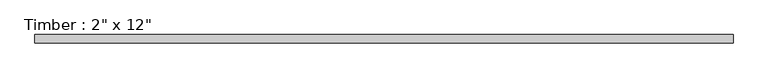
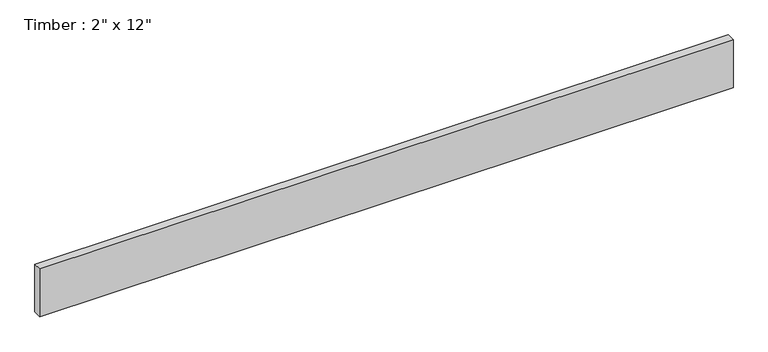
"""IFC4 building model written with IfcOpenShell, lengths in millimetres: beam geometry."""

from ifc_helpers import new_model, si_unit, frame, origin, place, context, project, spatial, polyline, outline, extrude, source, transform, mapped, element, save


def beam_2d2ded16(model_context):
    return source(origin(), model_context, "Body", "SweptSolid", [
        extrude(outline(polyline([(2088.3609628, 25.4), (2088.3609628, -25.4), (-2088.3609628, -25.4), (-2088.3609628, 25.4), (2088.3609628, 25.4)])), frame((0.0, 0.0, -152.4), z_axis=(0.0, 0.0, 1.0), x_axis=(1.0, 0.0, 0.0)), (0.0, 0.0, 1.0), 304.8),
    ])


if __name__ == "__main__":
    model = new_model("IFC4")
    model_context = context("Model", 3, world=origin())
    ifc_project = project(units=[si_unit("LENGTHUNIT", "METRE", prefix="MILLI")], contexts=[model_context])
    site = spatial("IfcSite", under=ifc_project)
    building = spatial("IfcBuilding", under=site)
    placement = place(None, origin())
    beam_shape = beam_2d2ded16(model_context)
    element("IfcBeam", 1, ObjectType="Timber : 2\" x 12\"", at=placement, inside=building, context=model_context, shape_type="MappedRepresentation", body=[
        mapped(beam_shape, transform((0.0, 0.0, 0.0), x_axis=(1.0, 0.0, 0.0), y_axis=(0.0, 1.0, 0.0), z_axis=(0.0, 0.0, 1.0))),
    ])
    save(model, "model.ifc")
